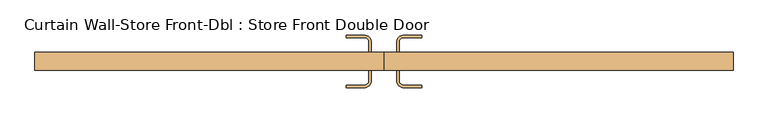
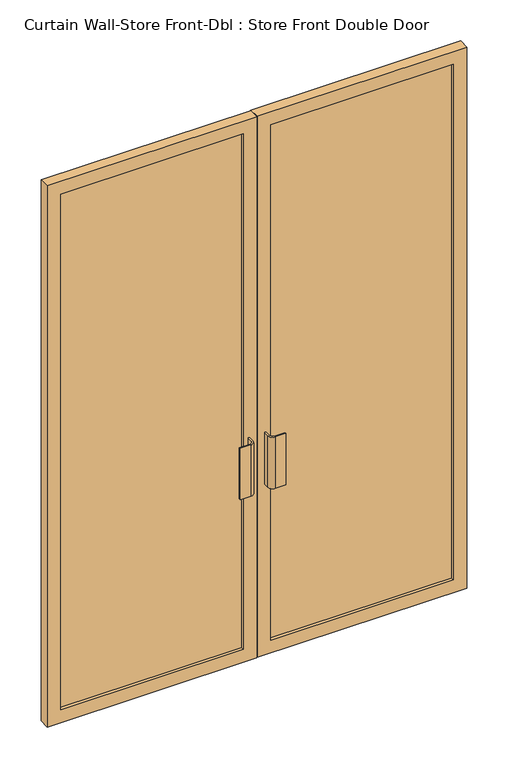
"""IFC4 building model written with IfcOpenShell, lengths in millimetres: door geometry, Curtain Wall-Store Front-Dbl : Store Front Double Door."""

from ifc_helpers import new_model, si_unit, point, frame, frame_2d, origin, place, context, project, spatial, polyline, circle_curve, trimmed, segment, composite_curve, outline, extrude, source, transform, mapped, element, save


def curtain_wall_store_front_dbl_store_front_double_door_3c12ba36(model_context):
    return source(origin(), model_context, "Body", "SweptSolid", [
        extrude(outline(composite_curve([segment(trimmed(circle_curve(frame_2d((-50.8, -12.7)), 19.05), [point((-31.75, -12.7))], [point((-50.8, -31.75))], False, "CARTESIAN"), True, "CONTINUOUS"), segment(polyline([(-50.8, -31.75), (-95.25, -31.75), (-95.25, -25.4), (-50.8, -25.4)]), True, "CONTINUOUS"), segment(trimmed(circle_curve(frame_2d((-50.8, -12.7)), 12.7), [point((-50.8, -25.4))], [point((-38.1, -12.7))], True, "CARTESIAN"), True, "CONTINUOUS"), segment(polyline([(-38.1, -12.7), (-38.1, 12.7), (-31.75, 12.7), (-31.75, -12.7)]), True, "CONTINUOUS")], self_intersect=False)), frame((0.0, 0.0, 762.0), z_axis=(0.0, 0.0, 1.0), x_axis=(1.0, 0.0, 0.0)), (0.0, 0.0, 1.0), 228.6),
        extrude(outline(composite_curve([segment(polyline([(31.75, -12.7), (31.75, 12.7), (38.1, 12.7), (38.1, -12.7)]), True, "CONTINUOUS"), segment(trimmed(circle_curve(frame_2d((50.8, -12.7)), 12.7), [point((38.1, -12.7))], [point((50.8, -25.4))], True, "CARTESIAN"), True, "CONTINUOUS"), segment(polyline([(50.8, -25.4), (95.25, -25.4), (95.25, -31.75), (50.8, -31.75)]), True, "CONTINUOUS"), segment(trimmed(circle_curve(frame_2d((50.8, -12.7)), 19.05), [point((50.8, -31.75))], [point((31.75, -12.7))], False, "CARTESIAN"), True, "CONTINUOUS")], self_intersect=False)), frame((0.0, 0.0, 762.0), z_axis=(0.0, 0.0, 1.0), x_axis=(1.0, 0.0, 0.0)), (0.0, 0.0, 1.0), 228.6),
        extrude(outline(composite_curve([segment(polyline([(-31.75, 82.55), (-31.75, 57.15), (-38.1, 57.15), (-38.1, 82.55)]), True, "CONTINUOUS"), segment(trimmed(circle_curve(frame_2d((-50.8, 82.55)), 12.7), [point((-38.1, 82.55))], [point((-50.8, 95.25))], True, "CARTESIAN"), True, "CONTINUOUS"), segment(polyline([(-50.8, 95.25), (-95.25, 95.25), (-95.25, 101.6), (-50.8, 101.6)]), True, "CONTINUOUS"), segment(trimmed(circle_curve(frame_2d((-50.8, 82.55)), 19.05), [point((-50.8, 101.6))], [point((-31.75, 82.55))], False, "CARTESIAN"), True, "CONTINUOUS")], self_intersect=False)), frame((0.0, 0.0, 762.0), z_axis=(0.0, 0.0, 1.0), x_axis=(1.0, 0.0, 0.0)), (0.0, 0.0, 1.0), 228.6),
        extrude(outline(composite_curve([segment(trimmed(circle_curve(frame_2d((50.8, 82.55)), 19.05), [point((31.75, 82.55))], [point((50.8, 101.6))], False, "CARTESIAN"), True, "CONTINUOUS"), segment(polyline([(50.8, 101.6), (95.25, 101.6), (95.25, 95.25), (50.8, 95.25)]), True, "CONTINUOUS"), segment(trimmed(circle_curve(frame_2d((50.8, 82.55)), 12.7), [point((50.8, 95.25))], [point((38.1, 82.55))], True, "CARTESIAN"), True, "CONTINUOUS"), segment(polyline([(38.1, 82.55), (38.1, 57.15), (31.75, 57.15), (31.75, 82.55)]), True, "CONTINUOUS")], self_intersect=False)), frame((0.0, 0.0, 762.0), z_axis=(0.0, 0.0, 1.0), x_axis=(1.0, 0.0, 0.0)), (0.0, 0.0, 1.0), 228.6),
        extrude(outline(polyline([(825.5, 25.4), (57.94375, 25.4), (57.94375, 44.45), (825.5, 44.45), (825.5, 25.4)])), frame((0.0, 0.0, 57.15), z_axis=(0.0, 0.0, 1.0), x_axis=(1.0, 0.0, 0.0)), (0.0, 0.0, 1.0), 2292.35),
        extrude(outline(polyline([(-57.94375, 25.4), (-825.5, 25.4), (-825.5, 44.45), (-57.94375, 44.45), (-57.94375, 25.4)])), frame((0.0, 0.0, 57.15), z_axis=(0.0, 0.0, 1.0), x_axis=(1.0, 0.0, 0.0)), (0.0, 0.0, 1.0), 2292.35),
        extrude(outline(polyline([(2406.65, 0.79375), (0.0, 0.79375), (0.0, 882.65), (2406.65, 882.65), (2406.65, 0.79375)]), holes=[polyline([(2349.5, 57.94375), (2349.5, 825.5), (57.15, 825.5), (57.15, 57.94375), (2349.5, 57.94375)])]), frame((0.0, 12.7, 0.0), z_axis=(0.0, 1.0, 0.0), x_axis=(0.0, 0.0, 1.0)), (0.0, 0.0, 1.0), 44.45),
        extrude(outline(polyline([(2406.65, -0.79375), (2406.65, -882.65), (0.0, -882.65), (0.0, -0.79375), (2406.65, -0.79375)]), holes=[polyline([(2349.5, -825.5), (2349.5, -57.94375), (57.15, -57.94375), (57.15, -825.5), (2349.5, -825.5)])]), frame((0.0, 12.7, 0.0), z_axis=(0.0, 1.0, 0.0), x_axis=(0.0, 0.0, 1.0)), (0.0, 0.0, 1.0), 44.45),
    ])


if __name__ == "__main__":
    model = new_model("IFC4")
    model_context = context("Model", 3, world=origin())
    ifc_project = project(units=[si_unit("LENGTHUNIT", "METRE", prefix="MILLI")], contexts=[model_context])
    site = spatial("IfcSite", under=ifc_project)
    building = spatial("IfcBuilding", under=site)
    placement = place(None, origin())
    curtain_wall_store_front_dbl_store_front_double_door_shape = curtain_wall_store_front_dbl_store_front_double_door_3c12ba36(model_context)
    element("IfcDoor", 1, ObjectType="Curtain Wall-Store Front-Dbl : Store Front Double Door", at=placement, inside=building, context=model_context, shape_type="MappedRepresentation", body=[
        mapped(curtain_wall_store_front_dbl_store_front_double_door_shape, transform((0.0, 0.0, 0.0), x_axis=(1.0, 0.0, 0.0), y_axis=(0.0, 1.0, 0.0), z_axis=(0.0, 0.0, 1.0))),
    ])
    save(model, "model.ifc")
